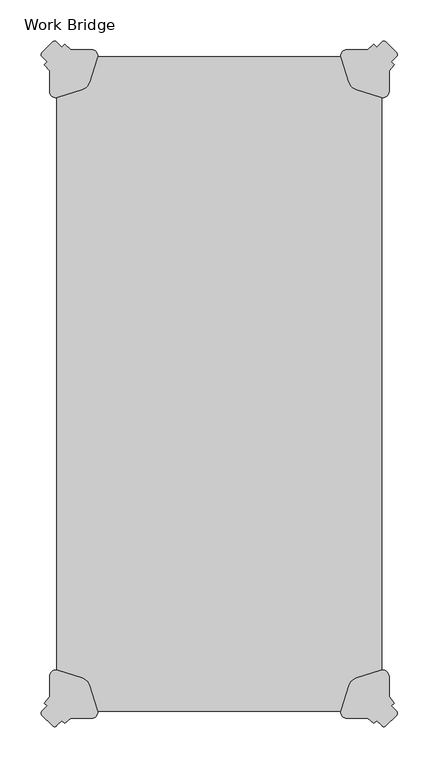
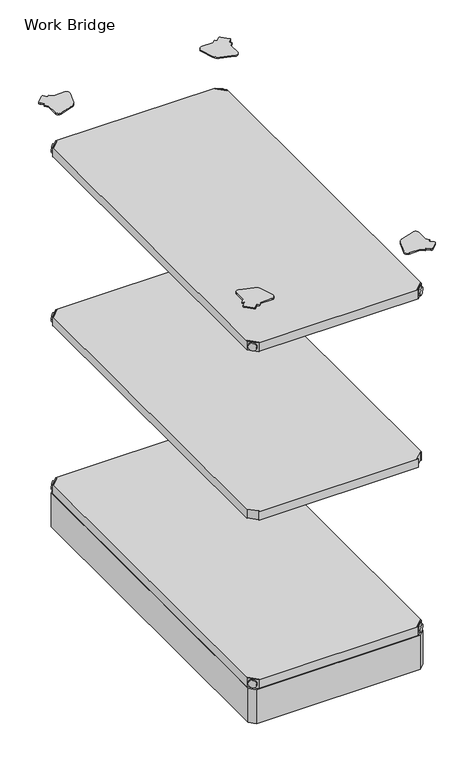
"""IFC4 building model written with IfcOpenShell, lengths in millimetres: furniture geometry, Work Bridge."""

from ifc_helpers import new_model, si_unit, point, frame, frame_2d, origin, place, context, project, spatial, polyline, circle_curve, trimmed, segment, composite_curve, outline, extrude, source, transform, mapped, element, save
from ifc_brep_helpers import plane_surface, cylinder_surface, advanced_brep


def work_bridge_fb9b9b8a(model_context):
    return source(origin(), model_context, "Body", "SolidModel", [
        advanced_brep(
        [(418.4699415, -40.7179031, 520.2936), (401.2470383, -23.495, 520.2936), (399.4509871, -25.2910512, 520.2936), (416.6738902, -42.5139544, 520.2936), (418.4699415, -40.7179031, 498.9576), (401.2470383, -23.495, 498.9576), (416.1446692, -38.3926309, 510.1336), (403.5723106, -25.8202723, 510.1336), (390.7178893, -68.4699553, 499.9736), (416.6738902, -42.5139544, 499.9736), (399.4509871, -25.2910512, 499.9736), (373.4949862, -51.2470522, 499.9736), (390.7178893, -68.4699553, 498.9576), (373.4949862, -51.2470522, 498.9576), (405.8871902, -23.5053927, 510.1336), (418.4595487, -36.0777513, 510.1336)],
        [
            (0, 1),
            (1, 2),
            (2, 3),
            (3, 0),
            (0, 4),
            (4, 5),
            (5, 1),
            (6, 7, circle_curve(frame((409.8584899, -32.1064516, 510.1336), z_axis=(-0.7071067811865469, -0.7071067811865481, 0.0), x_axis=(0.7071067811865481, -0.7071067811865469, 0.0)), 8.89)),
            (7, 6, circle_curve(frame((409.8584899, -32.1064516, 510.1336), z_axis=(-0.7071067811865469, -0.7071067811865481, 0.0), x_axis=(0.7071067811865481, -0.7071067811865469, 0.0)), 8.89)),
            (8, 9),
            (9, 10),
            (10, 11),
            (11, 8, circle_curve(frame((382.1064377, -59.8585037, 499.9736), z_axis=(0.0, 0.0, 1.0), x_axis=(-1.0, 0.0, 0.0)), 12.1784316)),
            (12, 13, circle_curve(frame((382.1064377, -59.8585037, 498.9576), z_axis=(0.0, 0.0, -1.0), x_axis=(-1.0, 0.0, 0.0)), 12.1784316)),
            (13, 5),
            (4, 12),
            (14, 15, circle_curve(frame((412.1733694, -29.791572, 510.1336), z_axis=(0.7071067811865469, 0.7071067811865481, 0.0), x_axis=(0.7071067811865481, -0.7071067811865469, 0.0)), 8.89)),
            (15, 14, circle_curve(frame((412.1733694, -29.791572, 510.1336), z_axis=(0.7071067811865469, 0.7071067811865481, 0.0), x_axis=(0.7071067811865481, -0.7071067811865469, 0.0)), 8.89)),
            (15, 6),
            (7, 14),
            (2, 10),
            (9, 3),
            (11, 13),
            (12, 8),
        ],
        [
            plane_surface(frame((440.6679286, -18.519916, 520.2936), z_axis=(0.0, 0.0, 1.0000000000000002), x_axis=(-0.7071067811865459, -0.7071067811865492, 0.0))),
            plane_surface(frame((401.2470383, -23.495, 520.2936), z_axis=(0.707106781186547, 0.707106781186548, 0.0), x_axis=(0.0, 0.0, -1.0))),
            plane_surface(frame((369.9280061, -59.8585037, 499.9736), z_axis=(0.0, 0.0, 1.0), x_axis=(0.0, 1.0, 0.0))),
            plane_surface(frame((369.9280061, -59.8585037, 498.9576), z_axis=(0.0, 0.0, -1.0), x_axis=(0.0, -1.0, 0.0))),
            plane_surface(frame((418.4595487, -36.0777513, 510.1336), z_axis=(0.7071067811865469, 0.7071067811865481, 0.0), x_axis=(0.0, 0.0, 1.0))),
            cylinder_surface(frame((409.8584899, -32.1064516, 510.1336), z_axis=(0.7071067811865469, 0.7071067811865481, 0.0), x_axis=(0.7071067811865481, -0.7071067811865469, 0.0)), 8.89),
            plane_surface(frame((416.6738902, -42.5139544, 520.2936), z_axis=(-0.707106781186547, -0.707106781186548, 0.0), x_axis=(0.0, 0.0, -1.0))),
            cylinder_surface(frame((382.1064377, -59.8585037, 498.9576), z_axis=(0.0, 0.0, 1.0), x_axis=(-1.0, 0.0, 0.0)), 12.1784316),
            plane_surface(frame((418.4699415, -40.7179031, 520.2936), z_axis=(0.7071067811865492, -0.7071067811865459, 0.0), x_axis=(0.0, 0.0, -1.0))),
            plane_surface(frame((399.4509871, -25.2910512, 520.2936), z_axis=(-0.707106781186549, 0.707106781186546, 0.0), x_axis=(0.0, 0.0, -1.0))),
        ],
        [
            (0, [[1, 2, 3, 4]]),
            (1, [[5, 6, 7, -1], [8, 9]]),
            (2, [[10, 11, 12, 13]]),
            (3, [[14, 15, -6, 16]]),
            (4, [[17, 18]]),
            (5, [[19, -9, 20, -18]]),
            (5, [[-20, -8, -19, -17]]),
            (6, [[21, -11, 22, -3]]),
            (7, [[23, -14, 24, -13]]),
            (8, [[-22, -10, -24, -16, -5, -4]]),
            (9, [[-7, -15, -23, -12, -21, -2]]),
        ],
    ),
        advanced_brep(
        [(23.4999415, -40.7179031, 520.2936), (25.2959927, -42.5139544, 520.2936), (42.5188958, -25.2910512, 520.2936), (40.7228446, -23.495, 520.2936), (40.7228446, -23.495, 498.9576), (23.4999415, -40.7179031, 498.9576), (25.8252138, -38.3926309, 510.1336), (38.3975723, -25.8202723, 510.1336), (51.2519936, -68.4699553, 499.9736), (68.4748968, -51.2470522, 499.9736), (42.5188958, -25.2910512, 499.9736), (25.2959927, -42.5139544, 499.9736), (51.2519936, -68.4699553, 498.9576), (68.4748968, -51.2470522, 498.9576), (36.0826928, -23.5053927, 510.1336), (23.5103342, -36.0777513, 510.1336)],
        [
            (0, 1),
            (1, 2),
            (2, 3),
            (3, 0),
            (3, 4),
            (4, 5),
            (5, 0),
            (6, 7, circle_curve(frame((32.111393, -32.1064516, 510.1336), z_axis=(0.7071067811865469, -0.7071067811865481, 0.0), x_axis=(-0.7071067811865481, -0.7071067811865469, 0.0)), 8.89)),
            (7, 6, circle_curve(frame((32.111393, -32.1064516, 510.1336), z_axis=(0.7071067811865469, -0.7071067811865481, 0.0), x_axis=(-0.7071067811865481, -0.7071067811865469, 0.0)), 8.89)),
            (8, 9, circle_curve(frame((59.8634452, -59.8585037, 499.9736), z_axis=(0.0, 0.0, 1.0), x_axis=(1.0, 0.0, 0.0)), 12.1784316)),
            (9, 10),
            (10, 11),
            (11, 8),
            (12, 5),
            (4, 13),
            (13, 12, circle_curve(frame((59.8634452, -59.8585037, 498.9576), z_axis=(0.0, 0.0, -1.0), x_axis=(1.0, 0.0, 0.0)), 12.1784316)),
            (14, 15, circle_curve(frame((29.7965135, -29.791572, 510.1336), z_axis=(-0.7071067811865469, 0.7071067811865481, 0.0), x_axis=(-0.7071067811865481, -0.7071067811865469, 0.0)), 8.89)),
            (15, 14, circle_curve(frame((29.7965135, -29.791572, 510.1336), z_axis=(-0.7071067811865469, 0.7071067811865481, 0.0), x_axis=(-0.7071067811865481, -0.7071067811865469, 0.0)), 8.89)),
            (14, 7),
            (6, 15),
            (1, 11),
            (10, 2),
            (8, 12),
            (13, 9),
        ],
        [
            plane_surface(frame((1.3019543, -18.519916, 520.2936), z_axis=(0.0, 0.0, 1.0000000000000002), x_axis=(0.7071067811865459, -0.7071067811865492, 0.0))),
            plane_surface(frame((40.7228446, -23.495, 520.2936), z_axis=(-0.707106781186547, 0.707106781186548, 0.0), x_axis=(0.0, 0.0, -1.0))),
            plane_surface(frame((72.0418768, -59.8585037, 499.9736), z_axis=(0.0, 0.0, 1.0), x_axis=(0.0, 1.0, 0.0))),
            plane_surface(frame((72.0418768, -59.8585037, 498.9576), z_axis=(0.0, 0.0, -1.0), x_axis=(0.0, -1.0, 0.0))),
            plane_surface(frame((23.5103342, -36.0777513, 510.1336), z_axis=(-0.7071067811865469, 0.7071067811865481, 0.0), x_axis=(0.0, 0.0, 1.0))),
            cylinder_surface(frame((32.111393, -32.1064516, 510.1336), z_axis=(-0.7071067811865469, 0.7071067811865481, 0.0), x_axis=(-0.7071067811865481, -0.7071067811865469, 0.0)), 8.89),
            plane_surface(frame((25.2959927, -42.5139544, 520.2936), z_axis=(0.707106781186547, -0.707106781186548, 0.0), x_axis=(0.0, 0.0, -1.0))),
            cylinder_surface(frame((59.8634452, -59.8585037, 498.9576), z_axis=(0.0, 0.0, 1.0), x_axis=(1.0, 0.0, 0.0)), 12.1784316),
            plane_surface(frame((23.4999415, -40.7179031, 520.2936), z_axis=(-0.7071067811865492, -0.7071067811865459, 0.0), x_axis=(0.0, 0.0, -1.0))),
            plane_surface(frame((42.5188958, -25.2910512, 520.2936), z_axis=(0.707106781186549, 0.707106781186546, 0.0), x_axis=(0.0, 0.0, -1.0))),
        ],
        [
            (0, [[1, 2, 3, 4]]),
            (1, [[-4, 5, 6, 7], [8, 9]]),
            (2, [[10, 11, 12, 13]]),
            (3, [[14, -6, 15, 16]]),
            (4, [[17, 18]]),
            (5, [[-17, 19, -8, 20]]),
            (5, [[-18, -20, -9, -19]]),
            (6, [[-2, 21, -12, 22]]),
            (7, [[-10, 23, -16, 24]]),
            (8, [[-1, -7, -14, -23, -13, -21]]),
            (9, [[-3, -22, -11, -24, -15, -5]]),
        ],
    ),
        extrude(outline(polyline([(40.7228446, -23.495), (401.2470383, -23.495), (399.4509871, -25.2910512), (416.6738902, -42.5139544), (418.4699415, -40.7179031), (418.4699415, -801.2920969), (416.6738902, -799.4960456), (399.4509871, -816.7189488), (401.2470383, -818.515), (40.7228446, -818.515), (42.5188958, -816.7189488), (25.2959927, -799.4960456), (23.4999415, -801.2920969), (23.4999415, -40.7179031), (25.2959927, -42.5139544), (42.5188958, -25.2910512), (40.7228446, -23.495)])), frame((0.0, 0.0, 499.9736), z_axis=(0.0, 0.0, 1.0), x_axis=(1.0, 0.0, 0.0)), (0.0, 0.0, 1.0), 20.32),
        advanced_brep(
        [(23.4999415, -801.2920969, 923.29), (40.7228446, -818.515, 923.29), (42.5188958, -816.7189488, 923.29), (25.2959927, -799.4960456, 923.29), (23.4999415, -801.2920969, 901.954), (40.7228446, -818.515, 901.954), (25.8252138, -803.6173691, 913.13), (38.3975723, -816.1897277, 913.13), (51.2519936, -773.5400447, 902.97), (25.2959927, -799.4960456, 902.97), (42.5188958, -816.7189488, 902.97), (68.4748968, -790.7629478, 902.97), (51.2519936, -773.5400447, 901.954), (68.4748968, -790.7629478, 901.954), (36.0826928, -818.5046073, 913.13), (23.5103342, -805.9322487, 913.13)],
        [
            (0, 1),
            (1, 2),
            (2, 3),
            (3, 0),
            (0, 4),
            (4, 5),
            (5, 1),
            (6, 7, circle_curve(frame((32.111393, -809.9035484, 913.13), z_axis=(0.7071067811865446, 0.7071067811865505, 0.0), x_axis=(-0.7071067811865505, 0.7071067811865446, 0.0)), 8.89)),
            (7, 6, circle_curve(frame((32.111393, -809.9035484, 913.13), z_axis=(0.7071067811865446, 0.7071067811865505, 0.0), x_axis=(-0.7071067811865505, 0.7071067811865446, 0.0)), 8.89)),
            (8, 9),
            (9, 10),
            (10, 11),
            (11, 8, circle_curve(frame((59.8634452, -782.1514963, 902.97), z_axis=(0.0, 0.0, 1.0), x_axis=(1.0, 0.0, 0.0)), 12.1784316)),
            (12, 13, circle_curve(frame((59.8634452, -782.1514963, 901.954), z_axis=(0.0, 0.0, -1.0), x_axis=(1.0, 0.0, 0.0)), 12.1784316)),
            (13, 5),
            (4, 12),
            (14, 15, circle_curve(frame((29.7965135, -812.218428, 913.13), z_axis=(-0.7071067811865446, -0.7071067811865505, 0.0), x_axis=(-0.7071067811865505, 0.7071067811865446, 0.0)), 8.89)),
            (15, 14, circle_curve(frame((29.7965135, -812.218428, 913.13), z_axis=(-0.7071067811865446, -0.7071067811865505, 0.0), x_axis=(-0.7071067811865505, 0.7071067811865446, 0.0)), 8.89)),
            (15, 6),
            (7, 14),
            (2, 10),
            (9, 3),
            (11, 13),
            (12, 8),
        ],
        [
            plane_surface(frame((1.3019543, -823.490084, 923.29), z_axis=(0.0, 0.0, 1.0000000000000002), x_axis=(0.7071067811865436, 0.7071067811865516, 0.0))),
            plane_surface(frame((40.7228446, -818.515, 923.29), z_axis=(-0.7071067811865447, -0.7071067811865503, 0.0), x_axis=(0.0, 0.0, -1.0))),
            plane_surface(frame((72.0418768, -782.1514963, 902.97), z_axis=(0.0, 0.0, 1.0), x_axis=(0.0, -1.0, 0.0))),
            plane_surface(frame((72.0418768, -782.1514963, 901.954), z_axis=(0.0, 0.0, -1.0), x_axis=(0.0, 1.0, 0.0))),
            plane_surface(frame((23.5103342, -805.9322487, 913.13), z_axis=(-0.7071067811865446, -0.7071067811865505, 0.0), x_axis=(0.0, 0.0, 1.0))),
            cylinder_surface(frame((32.111393, -809.9035484, 913.13), z_axis=(-0.7071067811865446, -0.7071067811865505, 0.0), x_axis=(-0.7071067811865505, 0.7071067811865446, 0.0)), 8.89),
            plane_surface(frame((25.2959927, -799.4960456, 923.29), z_axis=(0.7071067811865447, 0.7071067811865503, 0.0), x_axis=(0.0, 0.0, -1.0))),
            cylinder_surface(frame((59.8634452, -782.1514963, 901.954), z_axis=(0.0, 0.0, 1.0), x_axis=(1.0, 0.0, 0.0)), 12.1784316),
            plane_surface(frame((23.4999415, -801.2920969, 923.29), z_axis=(-0.7071067811865516, 0.7071067811865436, 0.0), x_axis=(0.0, 0.0, -1.0))),
            plane_surface(frame((42.5188958, -816.7189488, 923.29), z_axis=(0.7071067811865513, -0.7071067811865437, 0.0), x_axis=(0.0, 0.0, -1.0))),
        ],
        [
            (0, [[1, 2, 3, 4]]),
            (1, [[5, 6, 7, -1], [8, 9]]),
            (2, [[10, 11, 12, 13]]),
            (3, [[14, 15, -6, 16]]),
            (4, [[17, 18]]),
            (5, [[19, -9, 20, -18]]),
            (5, [[-20, -8, -19, -17]]),
            (6, [[21, -11, 22, -3]]),
            (7, [[23, -14, 24, -13]]),
            (8, [[-22, -10, -24, -16, -5, -4]]),
            (9, [[-7, -15, -23, -12, -21, -2]]),
        ],
    ),
        advanced_brep(
        [(418.4699415, -801.2920969, 923.29), (416.6738902, -799.4960456, 923.29), (399.4509871, -816.7189488, 923.29), (401.2470383, -818.515, 923.29), (401.2470383, -818.515, 901.954), (418.4699415, -801.2920969, 901.954), (416.1446692, -803.6173691, 913.13), (403.5723106, -816.1897277, 913.13), (390.7178893, -773.5400447, 902.97), (373.4949862, -790.7629478, 902.97), (399.4509871, -816.7189488, 902.97), (416.6738902, -799.4960456, 902.97), (390.7178893, -773.5400447, 901.954), (373.4949862, -790.7629478, 901.954), (405.8871902, -818.5046073, 913.13), (418.4595487, -805.9322487, 913.13)],
        [
            (0, 1),
            (1, 2),
            (2, 3),
            (3, 0),
            (3, 4),
            (4, 5),
            (5, 0),
            (6, 7, circle_curve(frame((409.8584899, -809.9035484, 913.13), z_axis=(-0.7071067811865446, 0.7071067811865505, 0.0), x_axis=(0.7071067811865505, 0.7071067811865446, 0.0)), 8.89)),
            (7, 6, circle_curve(frame((409.8584899, -809.9035484, 913.13), z_axis=(-0.7071067811865446, 0.7071067811865505, 0.0), x_axis=(0.7071067811865505, 0.7071067811865446, 0.0)), 8.89)),
            (8, 9, circle_curve(frame((382.1064377, -782.1514963, 902.97), z_axis=(0.0, 0.0, 1.0), x_axis=(-1.0, 0.0, 0.0)), 12.1784316)),
            (9, 10),
            (10, 11),
            (11, 8),
            (12, 5),
            (4, 13),
            (13, 12, circle_curve(frame((382.1064377, -782.1514963, 901.954), z_axis=(0.0, 0.0, -1.0), x_axis=(-1.0, 0.0, 0.0)), 12.1784316)),
            (14, 15, circle_curve(frame((412.1733694, -812.218428, 913.13), z_axis=(0.7071067811865446, -0.7071067811865505, 0.0), x_axis=(0.7071067811865505, 0.7071067811865446, 0.0)), 8.89)),
            (15, 14, circle_curve(frame((412.1733694, -812.218428, 913.13), z_axis=(0.7071067811865446, -0.7071067811865505, 0.0), x_axis=(0.7071067811865505, 0.7071067811865446, 0.0)), 8.89)),
            (14, 7),
            (6, 15),
            (1, 11),
            (10, 2),
            (8, 12),
            (13, 9),
        ],
        [
            plane_surface(frame((440.6679286, -823.490084, 923.29), z_axis=(0.0, 0.0, 1.0000000000000002), x_axis=(-0.7071067811865436, 0.7071067811865516, 0.0))),
            plane_surface(frame((401.2470383, -818.515, 923.29), z_axis=(0.7071067811865447, -0.7071067811865503, 0.0), x_axis=(0.0, 0.0, -1.0))),
            plane_surface(frame((369.9280061, -782.1514963, 902.97), z_axis=(0.0, 0.0, 1.0), x_axis=(0.0, -1.0, 0.0))),
            plane_surface(frame((369.9280061, -782.1514963, 901.954), z_axis=(0.0, 0.0, -1.0), x_axis=(0.0, 1.0, 0.0))),
            plane_surface(frame((418.4595487, -805.9322487, 913.13), z_axis=(0.7071067811865446, -0.7071067811865505, 0.0), x_axis=(0.0, 0.0, 1.0))),
            cylinder_surface(frame((409.8584899, -809.9035484, 913.13), z_axis=(0.7071067811865446, -0.7071067811865505, 0.0), x_axis=(0.7071067811865505, 0.7071067811865446, 0.0)), 8.89),
            plane_surface(frame((416.6738902, -799.4960456, 923.29), z_axis=(-0.7071067811865447, 0.7071067811865503, 0.0), x_axis=(0.0, 0.0, -1.0))),
            cylinder_surface(frame((382.1064377, -782.1514963, 901.954), z_axis=(0.0, 0.0, 1.0), x_axis=(-1.0, 0.0, 0.0)), 12.1784316),
            plane_surface(frame((418.4699415, -801.2920969, 923.29), z_axis=(0.7071067811865516, 0.7071067811865436, 0.0), x_axis=(0.0, 0.0, -1.0))),
            plane_surface(frame((399.4509871, -816.7189488, 923.29), z_axis=(-0.7071067811865513, -0.7071067811865437, 0.0), x_axis=(0.0, 0.0, -1.0))),
        ],
        [
            (0, [[1, 2, 3, 4]]),
            (1, [[-4, 5, 6, 7], [8, 9]]),
            (2, [[10, 11, 12, 13]]),
            (3, [[14, -6, 15, 16]]),
            (4, [[17, 18]]),
            (5, [[-17, 19, -8, 20]]),
            (5, [[-18, -20, -9, -19]]),
            (6, [[-2, 21, -12, 22]]),
            (7, [[-10, 23, -16, 24]]),
            (8, [[-1, -7, -14, -23, -13, -21]]),
            (9, [[-3, -22, -11, -24, -15, -5]]),
        ],
    ),
        advanced_brep(
        [(418.4699415, -40.7179031, 923.29), (401.2470383, -23.495, 923.29), (399.4509871, -25.2910512, 923.29), (416.6738902, -42.5139544, 923.29), (418.4699415, -40.7179031, 901.954), (401.2470383, -23.495, 901.954), (416.1446692, -38.3926309, 913.13), (403.5723106, -25.8202723, 913.13), (390.7178893, -68.4699553, 902.97), (416.6738902, -42.5139544, 902.97), (399.4509871, -25.2910512, 902.97), (373.4949862, -51.2470522, 902.97), (390.7178893, -68.4699553, 901.954), (373.4949862, -51.2470522, 901.954), (405.8871902, -23.5053927, 913.13), (418.4595487, -36.0777513, 913.13)],
        [
            (0, 1),
            (1, 2),
            (2, 3),
            (3, 0),
            (0, 4),
            (4, 5),
            (5, 1),
            (6, 7, circle_curve(frame((409.8584899, -32.1064516, 913.13), z_axis=(-0.7071067811865469, -0.7071067811865481, 0.0), x_axis=(0.7071067811865481, -0.7071067811865469, 0.0)), 8.89)),
            (7, 6, circle_curve(frame((409.8584899, -32.1064516, 913.13), z_axis=(-0.7071067811865469, -0.7071067811865481, 0.0), x_axis=(0.7071067811865481, -0.7071067811865469, 0.0)), 8.89)),
            (8, 9),
            (9, 10),
            (10, 11),
            (11, 8, circle_curve(frame((382.1064377, -59.8585037, 902.97), z_axis=(0.0, 0.0, 1.0), x_axis=(-1.0, 0.0, 0.0)), 12.1784316)),
            (12, 13, circle_curve(frame((382.1064377, -59.8585037, 901.954), z_axis=(0.0, 0.0, -1.0), x_axis=(-1.0, 0.0, 0.0)), 12.1784316)),
            (13, 5),
            (4, 12),
            (14, 15, circle_curve(frame((412.1733694, -29.791572, 913.13), z_axis=(0.7071067811865469, 0.7071067811865481, 0.0), x_axis=(0.7071067811865481, -0.7071067811865469, 0.0)), 8.89)),
            (15, 14, circle_curve(frame((412.1733694, -29.791572, 913.13), z_axis=(0.7071067811865469, 0.7071067811865481, 0.0), x_axis=(0.7071067811865481, -0.7071067811865469, 0.0)), 8.89)),
            (15, 6),
            (7, 14),
            (2, 10),
            (9, 3),
            (11, 13),
            (12, 8),
        ],
        [
            plane_surface(frame((440.6679286, -18.519916, 923.29), z_axis=(0.0, 0.0, 1.0000000000000002), x_axis=(-0.7071067811865459, -0.7071067811865492, 0.0))),
            plane_surface(frame((401.2470383, -23.495, 923.29), z_axis=(0.707106781186547, 0.707106781186548, 0.0), x_axis=(0.0, 0.0, -1.0))),
            plane_surface(frame((369.9280061, -59.8585037, 902.97), z_axis=(0.0, 0.0, 1.0), x_axis=(0.0, 1.0, 0.0))),
            plane_surface(frame((369.9280061, -59.8585037, 901.954), z_axis=(0.0, 0.0, -1.0), x_axis=(0.0, -1.0, 0.0))),
            plane_surface(frame((418.4595487, -36.0777513, 913.13), z_axis=(0.7071067811865469, 0.7071067811865481, 0.0), x_axis=(0.0, 0.0, 1.0))),
            cylinder_surface(frame((409.8584899, -32.1064516, 913.13), z_axis=(0.7071067811865469, 0.7071067811865481, 0.0), x_axis=(0.7071067811865481, -0.7071067811865469, 0.0)), 8.89),
            plane_surface(frame((416.6738902, -42.5139544, 923.29), z_axis=(-0.707106781186547, -0.707106781186548, 0.0), x_axis=(0.0, 0.0, -1.0))),
            cylinder_surface(frame((382.1064377, -59.8585037, 901.954), z_axis=(0.0, 0.0, 1.0), x_axis=(-1.0, 0.0, 0.0)), 12.1784316),
            plane_surface(frame((418.4699415, -40.7179031, 923.29), z_axis=(0.7071067811865492, -0.7071067811865459, 0.0), x_axis=(0.0, 0.0, -1.0))),
            plane_surface(frame((399.4509871, -25.2910512, 923.29), z_axis=(-0.707106781186549, 0.707106781186546, 0.0), x_axis=(0.0, 0.0, -1.0))),
        ],
        [
            (0, [[1, 2, 3, 4]]),
            (1, [[5, 6, 7, -1], [8, 9]]),
            (2, [[10, 11, 12, 13]]),
            (3, [[14, 15, -6, 16]]),
            (4, [[17, 18]]),
            (5, [[19, -9, 20, -18]]),
            (5, [[-20, -8, -19, -17]]),
            (6, [[21, -11, 22, -3]]),
            (7, [[23, -14, 24, -13]]),
            (8, [[-22, -10, -24, -16, -5, -4]]),
            (9, [[-7, -15, -23, -12, -21, -2]]),
        ],
    ),
        advanced_brep(
        [(23.4999415, -40.7179031, 923.29), (25.2959927, -42.5139544, 923.29), (42.5188958, -25.2910512, 923.29), (40.7228446, -23.495, 923.29), (40.7228446, -23.495, 901.954), (23.4999415, -40.7179031, 901.954), (25.8252138, -38.3926309, 913.13), (38.3975723, -25.8202723, 913.13), (51.2519936, -68.4699553, 902.97), (68.4748968, -51.2470522, 902.97), (42.5188958, -25.2910512, 902.97), (25.2959927, -42.5139544, 902.97), (51.2519936, -68.4699553, 901.954), (68.4748968, -51.2470522, 901.954), (36.0826928, -23.5053927, 913.13), (23.5103342, -36.0777513, 913.13)],
        [
            (0, 1),
            (1, 2),
            (2, 3),
            (3, 0),
            (3, 4),
            (4, 5),
            (5, 0),
            (6, 7, circle_curve(frame((32.111393, -32.1064516, 913.13), z_axis=(0.7071067811865469, -0.7071067811865481, 0.0), x_axis=(-0.7071067811865481, -0.7071067811865469, 0.0)), 8.89)),
            (7, 6, circle_curve(frame((32.111393, -32.1064516, 913.13), z_axis=(0.7071067811865469, -0.7071067811865481, 0.0), x_axis=(-0.7071067811865481, -0.7071067811865469, 0.0)), 8.89)),
            (8, 9, circle_curve(frame((59.8634452, -59.8585037, 902.97), z_axis=(0.0, 0.0, 1.0), x_axis=(1.0, 0.0, 0.0)), 12.1784316)),
            (9, 10),
            (10, 11),
            (11, 8),
            (12, 5),
            (4, 13),
            (13, 12, circle_curve(frame((59.8634452, -59.8585037, 901.954), z_axis=(0.0, 0.0, -1.0), x_axis=(1.0, 0.0, 0.0)), 12.1784316)),
            (14, 15, circle_curve(frame((29.7965135, -29.791572, 913.13), z_axis=(-0.7071067811865469, 0.7071067811865481, 0.0), x_axis=(-0.7071067811865481, -0.7071067811865469, 0.0)), 8.89)),
            (15, 14, circle_curve(frame((29.7965135, -29.791572, 913.13), z_axis=(-0.7071067811865469, 0.7071067811865481, 0.0), x_axis=(-0.7071067811865481, -0.7071067811865469, 0.0)), 8.89)),
            (14, 7),
            (6, 15),
            (1, 11),
            (10, 2),
            (8, 12),
            (13, 9),
        ],
        [
            plane_surface(frame((1.3019543, -18.519916, 923.29), z_axis=(0.0, 0.0, 1.0000000000000002), x_axis=(0.7071067811865459, -0.7071067811865492, 0.0))),
            plane_surface(frame((40.7228446, -23.495, 923.29), z_axis=(-0.707106781186547, 0.707106781186548, 0.0), x_axis=(0.0, 0.0, -1.0))),
            plane_surface(frame((72.0418768, -59.8585037, 902.97), z_axis=(0.0, 0.0, 1.0), x_axis=(0.0, 1.0, 0.0))),
            plane_surface(frame((72.0418768, -59.8585037, 901.954), z_axis=(0.0, 0.0, -1.0), x_axis=(0.0, -1.0, 0.0))),
            plane_surface(frame((23.5103342, -36.0777513, 913.13), z_axis=(-0.7071067811865469, 0.7071067811865481, 0.0), x_axis=(0.0, 0.0, 1.0))),
            cylinder_surface(frame((32.111393, -32.1064516, 913.13), z_axis=(-0.7071067811865469, 0.7071067811865481, 0.0), x_axis=(-0.7071067811865481, -0.7071067811865469, 0.0)), 8.89),
            plane_surface(frame((25.2959927, -42.5139544, 923.29), z_axis=(0.707106781186547, -0.707106781186548, 0.0), x_axis=(0.0, 0.0, -1.0))),
            cylinder_surface(frame((59.8634452, -59.8585037, 901.954), z_axis=(0.0, 0.0, 1.0), x_axis=(1.0, 0.0, 0.0)), 12.1784316),
            plane_surface(frame((23.4999415, -40.7179031, 923.29), z_axis=(-0.7071067811865492, -0.7071067811865459, 0.0), x_axis=(0.0, 0.0, -1.0))),
            plane_surface(frame((42.5188958, -25.2910512, 923.29), z_axis=(0.707106781186549, 0.707106781186546, 0.0), x_axis=(0.0, 0.0, -1.0))),
        ],
        [
            (0, [[1, 2, 3, 4]]),
            (1, [[-4, 5, 6, 7], [8, 9]]),
            (2, [[10, 11, 12, 13]]),
            (3, [[14, -6, 15, 16]]),
            (4, [[17, 18]]),
            (5, [[-17, 19, -8, 20]]),
            (5, [[-18, -20, -9, -19]]),
            (6, [[-2, 21, -12, 22]]),
            (7, [[-10, 23, -16, 24]]),
            (8, [[-1, -7, -14, -23, -13, -21]]),
            (9, [[-3, -22, -11, -24, -15, -5]]),
        ],
    ),
        extrude(outline(polyline([(40.7228446, -23.495), (401.2470383, -23.495), (399.4509871, -25.2910512), (416.6738902, -42.5139544), (418.4699415, -40.7179031), (418.4699415, -801.2920969), (416.6738902, -799.4960456), (399.4509871, -816.7189488), (401.2470383, -818.515), (40.7228446, -818.515), (42.5188958, -816.7189488), (25.2959927, -799.4960456), (23.4999415, -801.2920969), (23.4999415, -40.7179031), (25.2959927, -42.5139544), (42.5188958, -25.2910512), (40.7228446, -23.495)])), frame((0.0, 0.0, 902.97), z_axis=(0.0, 0.0, 1.0), x_axis=(1.0, 0.0, 0.0)), (0.0, 0.0, 1.0), 20.32),
        advanced_brep(
        [(23.4999415, -801.2920969, 118.9736), (40.7228446, -818.515, 118.9736), (42.5188958, -816.7189488, 118.9736), (25.2959927, -799.4960456, 118.9736), (23.4999415, -801.2920969, 97.6376), (40.7228446, -818.515, 97.6376), (25.8252138, -803.6173691, 108.8136), (38.3975723, -816.1897277, 108.8136), (51.2519936, -773.5400447, 98.6536), (25.2959927, -799.4960456, 98.6536), (42.5188958, -816.7189488, 98.6536), (68.4748968, -790.7629478, 98.6536), (51.2519936, -773.5400447, 97.6376), (68.4748968, -790.7629478, 97.6376), (36.0826928, -818.5046073, 108.8136), (23.5103342, -805.9322487, 108.8136)],
        [
            (0, 1),
            (1, 2),
            (2, 3),
            (3, 0),
            (0, 4),
            (4, 5),
            (5, 1),
            (6, 7, circle_curve(frame((32.111393, -809.9035484, 108.8136), z_axis=(0.7071067811865446, 0.7071067811865505, 0.0), x_axis=(-0.7071067811865505, 0.7071067811865446, 0.0)), 8.89)),
            (7, 6, circle_curve(frame((32.111393, -809.9035484, 108.8136), z_axis=(0.7071067811865446, 0.7071067811865505, 0.0), x_axis=(-0.7071067811865505, 0.7071067811865446, 0.0)), 8.89)),
            (8, 9),
            (9, 10),
            (10, 11),
            (11, 8, circle_curve(frame((59.8634452, -782.1514963, 98.6536), z_axis=(0.0, 0.0, 1.0), x_axis=(1.0, 0.0, 0.0)), 12.1784316)),
            (12, 13, circle_curve(frame((59.8634452, -782.1514963, 97.6376), z_axis=(0.0, 0.0, -1.0), x_axis=(1.0, 0.0, 0.0)), 12.1784316)),
            (13, 5),
            (4, 12),
            (14, 15, circle_curve(frame((29.7965135, -812.218428, 108.8136), z_axis=(-0.7071067811865446, -0.7071067811865505, 0.0), x_axis=(-0.7071067811865505, 0.7071067811865446, 0.0)), 8.89)),
            (15, 14, circle_curve(frame((29.7965135, -812.218428, 108.8136), z_axis=(-0.7071067811865446, -0.7071067811865505, 0.0), x_axis=(-0.7071067811865505, 0.7071067811865446, 0.0)), 8.89)),
            (15, 6),
            (7, 14),
            (2, 10),
            (9, 3),
            (11, 13),
            (12, 8),
        ],
        [
            plane_surface(frame((1.3019543, -823.490084, 118.9736), z_axis=(0.0, 0.0, 1.0000000000000002), x_axis=(0.7071067811865436, 0.7071067811865516, 0.0))),
            plane_surface(frame((40.7228446, -818.515, 118.9736), z_axis=(-0.7071067811865447, -0.7071067811865503, 0.0), x_axis=(0.0, 0.0, -1.0))),
            plane_surface(frame((72.0418768, -782.1514963, 98.6536), z_axis=(0.0, 0.0, 1.0), x_axis=(0.0, -1.0, 0.0))),
            plane_surface(frame((72.0418768, -782.1514963, 97.6376), z_axis=(0.0, 0.0, -1.0), x_axis=(0.0, 1.0, 0.0))),
            plane_surface(frame((23.5103342, -805.9322487, 108.8136), z_axis=(-0.7071067811865446, -0.7071067811865505, 0.0), x_axis=(0.0, 0.0, 1.0))),
            cylinder_surface(frame((32.111393, -809.9035484, 108.8136), z_axis=(-0.7071067811865446, -0.7071067811865505, 0.0), x_axis=(-0.7071067811865505, 0.7071067811865446, 0.0)), 8.89),
            plane_surface(frame((25.2959927, -799.4960456, 118.9736), z_axis=(0.7071067811865447, 0.7071067811865503, 0.0), x_axis=(0.0, 0.0, -1.0))),
            cylinder_surface(frame((59.8634452, -782.1514963, 97.6376), z_axis=(0.0, 0.0, 1.0), x_axis=(1.0, 0.0, 0.0)), 12.1784316),
            plane_surface(frame((23.4999415, -801.2920969, 118.9736), z_axis=(-0.7071067811865516, 0.7071067811865436, 0.0), x_axis=(0.0, 0.0, -1.0))),
            plane_surface(frame((42.5188958, -816.7189488, 118.9736), z_axis=(0.7071067811865513, -0.7071067811865437, 0.0), x_axis=(0.0, 0.0, -1.0))),
        ],
        [
            (0, [[1, 2, 3, 4]]),
            (1, [[5, 6, 7, -1], [8, 9]]),
            (2, [[10, 11, 12, 13]]),
            (3, [[14, 15, -6, 16]]),
            (4, [[17, 18]]),
            (5, [[19, -9, 20, -18]]),
            (5, [[-20, -8, -19, -17]]),
            (6, [[21, -11, 22, -3]]),
            (7, [[23, -14, 24, -13]]),
            (8, [[-22, -10, -24, -16, -5, -4]]),
            (9, [[-7, -15, -23, -12, -21, -2]]),
        ],
    ),
        advanced_brep(
        [(418.4699415, -801.2920969, 118.9736), (416.6738902, -799.4960456, 118.9736), (399.4509871, -816.7189488, 118.9736), (401.2470383, -818.515, 118.9736), (401.2470383, -818.515, 97.6376), (418.4699415, -801.2920969, 97.6376), (416.1446692, -803.6173691, 108.8136), (403.5723106, -816.1897277, 108.8136), (390.7178893, -773.5400447, 98.6536), (373.4949862, -790.7629478, 98.6536), (399.4509871, -816.7189488, 98.6536), (416.6738902, -799.4960456, 98.6536), (390.7178893, -773.5400447, 97.6376), (373.4949862, -790.7629478, 97.6376), (405.8871902, -818.5046073, 108.8136), (418.4595487, -805.9322487, 108.8136)],
        [
            (0, 1),
            (1, 2),
            (2, 3),
            (3, 0),
            (3, 4),
            (4, 5),
            (5, 0),
            (6, 7, circle_curve(frame((409.8584899, -809.9035484, 108.8136), z_axis=(-0.7071067811865446, 0.7071067811865505, 0.0), x_axis=(0.7071067811865505, 0.7071067811865446, 0.0)), 8.89)),
            (7, 6, circle_curve(frame((409.8584899, -809.9035484, 108.8136), z_axis=(-0.7071067811865446, 0.7071067811865505, 0.0), x_axis=(0.7071067811865505, 0.7071067811865446, 0.0)), 8.89)),
            (8, 9, circle_curve(frame((382.1064377, -782.1514963, 98.6536), z_axis=(0.0, 0.0, 1.0), x_axis=(-1.0, 0.0, 0.0)), 12.1784316)),
            (9, 10),
            (10, 11),
            (11, 8),
            (12, 5),
            (4, 13),
            (13, 12, circle_curve(frame((382.1064377, -782.1514963, 97.6376), z_axis=(0.0, 0.0, -1.0), x_axis=(-1.0, 0.0, 0.0)), 12.1784316)),
            (14, 15, circle_curve(frame((412.1733694, -812.218428, 108.8136), z_axis=(0.7071067811865446, -0.7071067811865505, 0.0), x_axis=(0.7071067811865505, 0.7071067811865446, 0.0)), 8.89)),
            (15, 14, circle_curve(frame((412.1733694, -812.218428, 108.8136), z_axis=(0.7071067811865446, -0.7071067811865505, 0.0), x_axis=(0.7071067811865505, 0.7071067811865446, 0.0)), 8.89)),
            (14, 7),
            (6, 15),
            (1, 11),
            (10, 2),
            (8, 12),
            (13, 9),
        ],
        [
            plane_surface(frame((440.6679286, -823.490084, 118.9736), z_axis=(0.0, 0.0, 1.0000000000000002), x_axis=(-0.7071067811865436, 0.7071067811865516, 0.0))),
            plane_surface(frame((401.2470383, -818.515, 118.9736), z_axis=(0.7071067811865447, -0.7071067811865503, 0.0), x_axis=(0.0, 0.0, -1.0))),
            plane_surface(frame((369.9280061, -782.1514963, 98.6536), z_axis=(0.0, 0.0, 1.0), x_axis=(0.0, -1.0, 0.0))),
            plane_surface(frame((369.9280061, -782.1514963, 97.6376), z_axis=(0.0, 0.0, -1.0), x_axis=(0.0, 1.0, 0.0))),
            plane_surface(frame((418.4595487, -805.9322487, 108.8136), z_axis=(0.7071067811865446, -0.7071067811865505, 0.0), x_axis=(0.0, 0.0, 1.0))),
            cylinder_surface(frame((409.8584899, -809.9035484, 108.8136), z_axis=(0.7071067811865446, -0.7071067811865505, 0.0), x_axis=(0.7071067811865505, 0.7071067811865446, 0.0)), 8.89),
            plane_surface(frame((416.6738902, -799.4960456, 118.9736), z_axis=(-0.7071067811865447, 0.7071067811865503, 0.0), x_axis=(0.0, 0.0, -1.0))),
            cylinder_surface(frame((382.1064377, -782.1514963, 97.6376), z_axis=(0.0, 0.0, 1.0), x_axis=(-1.0, 0.0, 0.0)), 12.1784316),
            plane_surface(frame((418.4699415, -801.2920969, 118.9736), z_axis=(0.7071067811865516, 0.7071067811865436, 0.0), x_axis=(0.0, 0.0, -1.0))),
            plane_surface(frame((399.4509871, -816.7189488, 118.9736), z_axis=(-0.7071067811865513, -0.7071067811865437, 0.0), x_axis=(0.0, 0.0, -1.0))),
        ],
        [
            (0, [[1, 2, 3, 4]]),
            (1, [[-4, 5, 6, 7], [8, 9]]),
            (2, [[10, 11, 12, 13]]),
            (3, [[14, -6, 15, 16]]),
            (4, [[17, 18]]),
            (5, [[-17, 19, -8, 20]]),
            (5, [[-18, -20, -9, -19]]),
            (6, [[-2, 21, -12, 22]]),
            (7, [[-10, 23, -16, 24]]),
            (8, [[-1, -7, -14, -23, -13, -21]]),
            (9, [[-3, -22, -11, -24, -15, -5]]),
        ],
    ),
        advanced_brep(
        [(418.4699415, -40.7179031, 118.9736), (401.2470383, -23.495, 118.9736), (399.4509871, -25.2910512, 118.9736), (416.6738902, -42.5139544, 118.9736), (418.4699415, -40.7179031, 97.6376), (401.2470383, -23.495, 97.6376), (416.1446692, -38.3926309, 108.8136), (403.5723106, -25.8202723, 108.8136), (390.7178893, -68.4699553, 98.6536), (416.6738902, -42.5139544, 98.6536), (399.4509871, -25.2910512, 98.6536), (373.4949862, -51.2470522, 98.6536), (390.7178893, -68.4699553, 97.6376), (373.4949862, -51.2470522, 97.6376), (405.8871902, -23.5053927, 108.8136), (418.4595487, -36.0777513, 108.8136)],
        [
            (0, 1),
            (1, 2),
            (2, 3),
            (3, 0),
            (0, 4),
            (4, 5),
            (5, 1),
            (6, 7, circle_curve(frame((409.8584899, -32.1064516, 108.8136), z_axis=(-0.7071067811865469, -0.7071067811865481, 0.0), x_axis=(0.7071067811865481, -0.7071067811865469, 0.0)), 8.89)),
            (7, 6, circle_curve(frame((409.8584899, -32.1064516, 108.8136), z_axis=(-0.7071067811865469, -0.7071067811865481, 0.0), x_axis=(0.7071067811865481, -0.7071067811865469, 0.0)), 8.89)),
            (8, 9),
            (9, 10),
            (10, 11),
            (11, 8, circle_curve(frame((382.1064377, -59.8585037, 98.6536), z_axis=(0.0, 0.0, 1.0), x_axis=(-1.0, 0.0, 0.0)), 12.1784316)),
            (12, 13, circle_curve(frame((382.1064377, -59.8585037, 97.6376), z_axis=(0.0, 0.0, -1.0), x_axis=(-1.0, 0.0, 0.0)), 12.1784316)),
            (13, 5),
            (4, 12),
            (14, 15, circle_curve(frame((412.1733694, -29.791572, 108.8136), z_axis=(0.7071067811865469, 0.7071067811865481, 0.0), x_axis=(0.7071067811865481, -0.7071067811865469, 0.0)), 8.89)),
            (15, 14, circle_curve(frame((412.1733694, -29.791572, 108.8136), z_axis=(0.7071067811865469, 0.7071067811865481, 0.0), x_axis=(0.7071067811865481, -0.7071067811865469, 0.0)), 8.89)),
            (15, 6),
            (7, 14),
            (2, 10),
            (9, 3),
            (11, 13),
            (12, 8),
        ],
        [
            plane_surface(frame((440.6679286, -18.519916, 118.9736), z_axis=(0.0, 0.0, 1.0000000000000002), x_axis=(-0.7071067811865459, -0.7071067811865492, 0.0))),
            plane_surface(frame((401.2470383, -23.495, 118.9736), z_axis=(0.707106781186547, 0.707106781186548, 0.0), x_axis=(0.0, 0.0, -1.0))),
            plane_surface(frame((369.9280061, -59.8585037, 98.6536), z_axis=(0.0, 0.0, 1.0), x_axis=(0.0, 1.0, 0.0))),
            plane_surface(frame((369.9280061, -59.8585037, 97.6376), z_axis=(0.0, 0.0, -1.0), x_axis=(0.0, -1.0, 0.0))),
            plane_surface(frame((418.4595487, -36.0777513, 108.8136), z_axis=(0.7071067811865469, 0.7071067811865481, 0.0), x_axis=(0.0, 0.0, 1.0))),
            cylinder_surface(frame((409.8584899, -32.1064516, 108.8136), z_axis=(0.7071067811865469, 0.7071067811865481, 0.0), x_axis=(0.7071067811865481, -0.7071067811865469, 0.0)), 8.89),
            plane_surface(frame((416.6738902, -42.5139544, 118.9736), z_axis=(-0.707106781186547, -0.707106781186548, 0.0), x_axis=(0.0, 0.0, -1.0))),
            cylinder_surface(frame((382.1064377, -59.8585037, 97.6376), z_axis=(0.0, 0.0, 1.0), x_axis=(-1.0, 0.0, 0.0)), 12.1784316),
            plane_surface(frame((418.4699415, -40.7179031, 118.9736), z_axis=(0.7071067811865492, -0.7071067811865459, 0.0), x_axis=(0.0, 0.0, -1.0))),
            plane_surface(frame((399.4509871, -25.2910512, 118.9736), z_axis=(-0.707106781186549, 0.707106781186546, 0.0), x_axis=(0.0, 0.0, -1.0))),
        ],
        [
            (0, [[1, 2, 3, 4]]),
            (1, [[5, 6, 7, -1], [8, 9]]),
            (2, [[10, 11, 12, 13]]),
            (3, [[14, 15, -6, 16]]),
            (4, [[17, 18]]),
            (5, [[19, -9, 20, -18]]),
            (5, [[-20, -8, -19, -17]]),
            (6, [[21, -11, 22, -3]]),
            (7, [[23, -14, 24, -13]]),
            (8, [[-22, -10, -24, -16, -5, -4]]),
            (9, [[-7, -15, -23, -12, -21, -2]]),
        ],
    ),
        advanced_brep(
        [(23.4999415, -40.7179031, 118.9736), (25.2959927, -42.5139544, 118.9736), (42.5188958, -25.2910512, 118.9736), (40.7228446, -23.495, 118.9736), (40.7228446, -23.495, 97.6376), (23.4999415, -40.7179031, 97.6376), (25.8252138, -38.3926309, 108.8136), (38.3975723, -25.8202723, 108.8136), (51.2519936, -68.4699553, 98.6536), (68.4748968, -51.2470522, 98.6536), (42.5188958, -25.2910512, 98.6536), (25.2959927, -42.5139544, 98.6536), (51.2519936, -68.4699553, 97.6376), (68.4748968, -51.2470522, 97.6376), (36.0826928, -23.5053927, 108.8136), (23.5103342, -36.0777513, 108.8136)],
        [
            (0, 1),
            (1, 2),
            (2, 3),
            (3, 0),
            (3, 4),
            (4, 5),
            (5, 0),
            (6, 7, circle_curve(frame((32.111393, -32.1064516, 108.8136), z_axis=(0.7071067811865469, -0.7071067811865481, 0.0), x_axis=(-0.7071067811865481, -0.7071067811865469, 0.0)), 8.89)),
            (7, 6, circle_curve(frame((32.111393, -32.1064516, 108.8136), z_axis=(0.7071067811865469, -0.7071067811865481, 0.0), x_axis=(-0.7071067811865481, -0.7071067811865469, 0.0)), 8.89)),
            (8, 9, circle_curve(frame((59.8634452, -59.8585037, 98.6536), z_axis=(0.0, 0.0, 1.0), x_axis=(1.0, 0.0, 0.0)), 12.1784316)),
            (9, 10),
            (10, 11),
            (11, 8),
            (12, 5),
            (4, 13),
            (13, 12, circle_curve(frame((59.8634452, -59.8585037, 97.6376), z_axis=(0.0, 0.0, -1.0), x_axis=(1.0, 0.0, 0.0)), 12.1784316)),
            (14, 15, circle_curve(frame((29.7965135, -29.791572, 108.8136), z_axis=(-0.7071067811865469, 0.7071067811865481, 0.0), x_axis=(-0.7071067811865481, -0.7071067811865469, 0.0)), 8.89)),
            (15, 14, circle_curve(frame((29.7965135, -29.791572, 108.8136), z_axis=(-0.7071067811865469, 0.7071067811865481, 0.0), x_axis=(-0.7071067811865481, -0.7071067811865469, 0.0)), 8.89)),
            (14, 7),
            (6, 15),
            (1, 11),
            (10, 2),
            (8, 12),
            (13, 9),
        ],
        [
            plane_surface(frame((1.3019543, -18.519916, 118.9736), z_axis=(0.0, 0.0, 1.0000000000000002), x_axis=(0.7071067811865459, -0.7071067811865492, 0.0))),
            plane_surface(frame((40.7228446, -23.495, 118.9736), z_axis=(-0.707106781186547, 0.707106781186548, 0.0), x_axis=(0.0, 0.0, -1.0))),
            plane_surface(frame((72.0418768, -59.8585037, 98.6536), z_axis=(0.0, 0.0, 1.0), x_axis=(0.0, 1.0, 0.0))),
            plane_surface(frame((72.0418768, -59.8585037, 97.6376), z_axis=(0.0, 0.0, -1.0), x_axis=(0.0, -1.0, 0.0))),
            plane_surface(frame((23.5103342, -36.0777513, 108.8136), z_axis=(-0.7071067811865469, 0.7071067811865481, 0.0), x_axis=(0.0, 0.0, 1.0))),
            cylinder_surface(frame((32.111393, -32.1064516, 108.8136), z_axis=(-0.7071067811865469, 0.7071067811865481, 0.0), x_axis=(-0.7071067811865481, -0.7071067811865469, 0.0)), 8.89),
            plane_surface(frame((25.2959927, -42.5139544, 118.9736), z_axis=(0.707106781186547, -0.707106781186548, 0.0), x_axis=(0.0, 0.0, -1.0))),
            cylinder_surface(frame((59.8634452, -59.8585037, 97.6376), z_axis=(0.0, 0.0, 1.0), x_axis=(1.0, 0.0, 0.0)), 12.1784316),
            plane_surface(frame((23.4999415, -40.7179031, 118.9736), z_axis=(-0.7071067811865492, -0.7071067811865459, 0.0), x_axis=(0.0, 0.0, -1.0))),
            plane_surface(frame((42.5188958, -25.2910512, 118.9736), z_axis=(0.707106781186549, 0.707106781186546, 0.0), x_axis=(0.0, 0.0, -1.0))),
        ],
        [
            (0, [[1, 2, 3, 4]]),
            (1, [[-4, 5, 6, 7], [8, 9]]),
            (2, [[10, 11, 12, 13]]),
            (3, [[14, -6, 15, 16]]),
            (4, [[17, 18]]),
            (5, [[-17, 19, -8, 20]]),
            (5, [[-18, -20, -9, -19]]),
            (6, [[-2, 21, -12, 22]]),
            (7, [[-10, 23, -16, 24]]),
            (8, [[-1, -7, -14, -23, -13, -21]]),
            (9, [[-3, -22, -11, -24, -15, -5]]),
        ],
    ),
        extrude(outline(polyline([(40.7228446, -23.495), (401.2470383, -23.495), (399.4509871, -25.2910512), (416.6738902, -42.5139544), (418.4699415, -40.7179031), (418.4699415, -801.2920969), (416.6738902, -799.4960456), (399.4509871, -816.7189488), (401.2470383, -818.515), (40.7228446, -818.515), (42.5188958, -816.7189488), (25.2959927, -799.4960456), (23.4999415, -801.2920969), (23.4999415, -40.7179031), (25.2959927, -42.5139544), (42.5188958, -25.2910512), (40.7228446, -23.495)])), frame((0.0, 0.0, 98.6536), z_axis=(0.0, 0.0, 1.0), x_axis=(1.0, 0.0, 0.0)), (0.0, 0.0, 1.0), 20.32),
        extrude(outline(composite_curve([segment(polyline([(12.1211067, -29.7938348), (5.527336, -23.200064)]), True, "CONTINUOUS"), segment(trimmed(circle_curve(frame_2d((7.7724, -20.955)), 3.175), [point((5.527336, -23.200064))], [point((5.527336, -18.709936))], False, "CARTESIAN"), True, "CONTINUOUS"), segment(polyline([(5.527336, -18.709936), (18.7148774, -5.5223945)]), True, "CONTINUOUS"), segment(trimmed(circle_curve(frame_2d((20.9599415, -7.7674585)), 3.175), [point((18.7148774, -5.5223945))], [point((23.2050055, -5.5223945))], False, "CARTESIAN"), True, "CONTINUOUS"), segment(polyline([(23.2050055, -5.5223945), (29.7987762, -12.1161652), (33.3067377, -8.6082037), (40.7302187, -14.7582159), (65.7483836, -14.7584862)]), True, "CONTINUOUS"), segment(trimmed(circle_curve(frame_2d((65.7483013, -22.3784862)), 7.62), [point((65.7483836, -14.7584862))], [point((73.0136789, -24.6760257))], False, "CARTESIAN"), True, "CONTINUOUS"), segment(polyline([(73.0136789, -24.6760257), (63.7885957, -53.847978)]), True, "CONTINUOUS"), segment(trimmed(circle_curve(frame_2d((49.2578404, -49.2528989)), 15.24), [point((63.7885957, -53.847978))], [point((53.8529195, -63.7836542))], False, "CARTESIAN"), True, "CONTINUOUS"), segment(polyline([(53.8529195, -63.7836542), (24.6809672, -73.0087375)]), True, "CONTINUOUS"), segment(trimmed(circle_curve(frame_2d((22.3834276, -65.7433598)), 7.62), [point((24.6809672, -73.0087375))], [point((14.7634276, -65.7434421))], False, "CARTESIAN"), True, "CONTINUOUS"), segment(polyline([(14.7634276, -65.7434421), (14.7631574, -40.7252773), (8.6131452, -33.3017963), (12.1211067, -29.7938348)]), True, "CONTINUOUS")], self_intersect=False)), frame((0.0, 0.0, 1022.9596), z_axis=(0.0, 0.0, 1.0), x_axis=(1.0, 0.0, 0.0)), (0.0, 0.0, 1.0), 2.9972),
        extrude(outline(composite_curve([segment(polyline([(429.8487762, -29.7938348), (433.3567377, -33.3017963), (427.2067255, -40.7252773), (427.2064553, -65.7434421)]), True, "CONTINUOUS"), segment(trimmed(circle_curve(frame_2d((419.5864553, -65.7433598)), 7.62), [point((427.2064553, -65.7434421))], [point((417.2889158, -73.0087375))], False, "CARTESIAN"), True, "CONTINUOUS"), segment(polyline([(417.2889158, -73.0087375), (388.1169635, -63.7836542)]), True, "CONTINUOUS"), segment(trimmed(circle_curve(frame_2d((392.7120425, -49.2528989)), 15.24), [point((388.1169635, -63.7836542))], [point((378.1812873, -53.847978))], False, "CARTESIAN"), True, "CONTINUOUS"), segment(polyline([(378.1812873, -53.847978), (368.956204, -24.6760257)]), True, "CONTINUOUS"), segment(trimmed(circle_curve(frame_2d((376.2215816, -22.3784862)), 7.62), [point((368.956204, -24.6760257))], [point((376.2214993, -14.7584862))], False, "CARTESIAN"), True, "CONTINUOUS"), segment(polyline([(376.2214993, -14.7584862), (401.2396642, -14.7582159), (408.6631452, -8.6082037), (412.1711067, -12.1161652), (418.7648774, -5.5223945)]), True, "CONTINUOUS"), segment(trimmed(circle_curve(frame_2d((421.0099415, -7.7674585)), 3.175), [point((418.7648774, -5.5223945))], [point((423.2550055, -5.5223945))], False, "CARTESIAN"), True, "CONTINUOUS"), segment(polyline([(423.2550055, -5.5223945), (436.442547, -18.709936)]), True, "CONTINUOUS"), segment(trimmed(circle_curve(frame_2d((434.1974829, -20.955)), 3.175), [point((436.442547, -18.709936))], [point((436.442547, -23.200064))], False, "CARTESIAN"), True, "CONTINUOUS"), segment(polyline([(436.442547, -23.200064), (429.8487762, -29.7938348)]), True, "CONTINUOUS")], self_intersect=False)), frame((0.0, 0.0, 1022.9596), z_axis=(0.0, 0.0, 1.0), x_axis=(1.0, 0.0, 0.0)), (0.0, 0.0, 1.0), 2.9972),
        extrude(outline(composite_curve([segment(polyline([(12.1211067, -812.2161652), (8.6131452, -808.7082037), (14.7631574, -801.2847227), (14.7634276, -776.2665579)]), True, "CONTINUOUS"), segment(trimmed(circle_curve(frame_2d((22.3834276, -776.2666402)), 7.62), [point((14.7634276, -776.2665579))], [point((24.6809672, -769.0012625))], False, "CARTESIAN"), True, "CONTINUOUS"), segment(polyline([(24.6809672, -769.0012625), (53.8529195, -778.2263458)]), True, "CONTINUOUS"), segment(trimmed(circle_curve(frame_2d((49.2578404, -792.7571011)), 15.24), [point((53.8529195, -778.2263458))], [point((63.7885957, -788.162022))], False, "CARTESIAN"), True, "CONTINUOUS"), segment(polyline([(63.7885957, -788.162022), (73.0136789, -817.3339743)]), True, "CONTINUOUS"), segment(trimmed(circle_curve(frame_2d((65.7483013, -819.6315138)), 7.62), [point((73.0136789, -817.3339743))], [point((65.7483836, -827.2515138))], False, "CARTESIAN"), True, "CONTINUOUS"), segment(polyline([(65.7483836, -827.2515138), (40.7302187, -827.2517841), (33.3067377, -833.4017963), (29.7987762, -829.8938348), (23.2050055, -836.4876055)]), True, "CONTINUOUS"), segment(trimmed(circle_curve(frame_2d((20.9599415, -834.2425415)), 3.175), [point((23.2050055, -836.4876055))], [point((18.7148774, -836.4876055))], False, "CARTESIAN"), True, "CONTINUOUS"), segment(polyline([(18.7148774, -836.4876055), (5.527336, -823.300064)]), True, "CONTINUOUS"), segment(trimmed(circle_curve(frame_2d((7.7724, -821.055)), 3.175), [point((5.527336, -823.300064))], [point((5.527336, -818.809936))], False, "CARTESIAN"), True, "CONTINUOUS"), segment(polyline([(5.527336, -818.809936), (12.1211067, -812.2161652)]), True, "CONTINUOUS")], self_intersect=False)), frame((0.0, 0.0, 1022.9596), z_axis=(0.0, 0.0, 1.0), x_axis=(1.0, 0.0, 0.0)), (0.0, 0.0, 1.0), 2.9972),
        extrude(outline(composite_curve([segment(polyline([(429.8487762, -812.2161652), (436.442547, -818.809936)]), True, "CONTINUOUS"), segment(trimmed(circle_curve(frame_2d((434.1974829, -821.055)), 3.175), [point((436.442547, -818.809936))], [point((436.442547, -823.300064))], False, "CARTESIAN"), True, "CONTINUOUS"), segment(polyline([(436.442547, -823.300064), (423.2550055, -836.4876055)]), True, "CONTINUOUS"), segment(trimmed(circle_curve(frame_2d((421.0099415, -834.2425415)), 3.175), [point((423.2550055, -836.4876055))], [point((418.7648774, -836.4876055))], False, "CARTESIAN"), True, "CONTINUOUS"), segment(polyline([(418.7648774, -836.4876055), (412.1711067, -829.8938348), (408.6631452, -833.4017963), (401.2396642, -827.2517841), (376.2214993, -827.2515138)]), True, "CONTINUOUS"), segment(trimmed(circle_curve(frame_2d((376.2215816, -819.6315138)), 7.62), [point((376.2214993, -827.2515138))], [point((368.956204, -817.3339743))], False, "CARTESIAN"), True, "CONTINUOUS"), segment(polyline([(368.956204, -817.3339743), (378.1812873, -788.162022)]), True, "CONTINUOUS"), segment(trimmed(circle_curve(frame_2d((392.7120425, -792.7571011)), 15.24), [point((378.1812873, -788.162022))], [point((388.1169635, -778.2263458))], False, "CARTESIAN"), True, "CONTINUOUS"), segment(polyline([(388.1169635, -778.2263458), (417.2889158, -769.0012625)]), True, "CONTINUOUS"), segment(trimmed(circle_curve(frame_2d((419.5864553, -776.2666402)), 7.62), [point((417.2889158, -769.0012625))], [point((427.2064553, -776.2665579))], False, "CARTESIAN"), True, "CONTINUOUS"), segment(polyline([(427.2064553, -776.2665579), (427.2067255, -801.2847227), (433.3567377, -808.7082037), (429.8487762, -812.2161652)]), True, "CONTINUOUS")], self_intersect=False)), frame((0.0, 0.0, 1022.9596), z_axis=(0.0, 0.0, 1.0), x_axis=(1.0, 0.0, 0.0)), (0.0, 0.0, 1.0), 2.9972),
        extrude(outline(polyline([(23.4999415, -805.9173305), (23.4999415, -36.0926695), (36.097611, -23.495), (405.8722719, -23.495), (418.4699415, -36.0926695), (418.4699415, -805.9173305), (405.8722719, -818.515), (36.097611, -818.515), (23.4999415, -805.9173305)]), holes=[polyline([(33.6599415, -36.703), (33.6599415, -808.355), (408.3099415, -808.355), (408.3099415, -36.703), (33.6599415, -36.703)])]), frame((0.0, 0.0, 15.9766), z_axis=(0.0, 0.0, 1.0), x_axis=(1.0, 0.0, 0.0)), (0.0, 0.0, 1.0), 81.28),
    ])


if __name__ == "__main__":
    model = new_model("IFC4")
    model_context = context("Model", 3, world=origin())
    ifc_project = project(units=[si_unit("LENGTHUNIT", "METRE", prefix="MILLI")], contexts=[model_context])
    site = spatial("IfcSite", under=ifc_project)
    building = spatial("IfcBuilding", under=site)
    placement = place(None, origin())
    work_bridge_shape = work_bridge_fb9b9b8a(model_context)
    element("IfcFurniture", 1, ObjectType="Work Bridge", at=placement, inside=building, context=model_context, shape_type="MappedRepresentation", body=[
        mapped(work_bridge_shape, transform((0.0, 0.0, 0.0), x_axis=(1.0, 0.0, 0.0), y_axis=(0.0, 1.0, 0.0), z_axis=(0.0, 0.0, 1.0))),
    ])
    save(model, "model.ifc")
